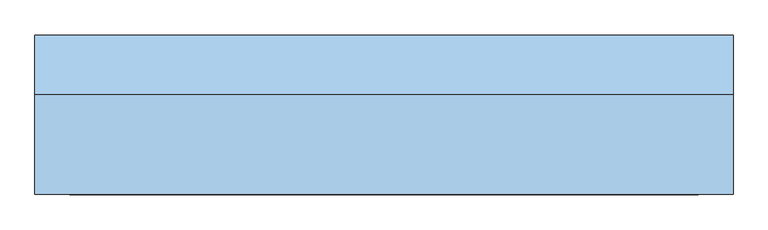
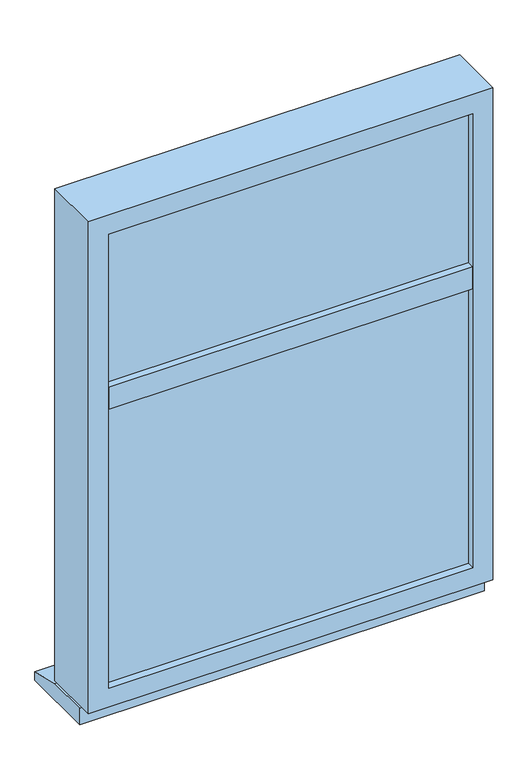
"""IFC4 building model written with IfcOpenShell, lengths in millimetres: window geometry."""

from ifc_helpers import new_model, si_unit, frame, origin, place, context, project, spatial, polyline, outline, extrude, faceted_brep, source, transform, mapped, element, save


def window_2be36a1f(model_context):
    return source(origin(), model_context, "Body", "SolidModel", [
        faceted_brep([(700.0, 149.5, 800.0), (700.0, -50.5, 800.0), (-700.0, -50.5, 800.0), (-700.0, 149.5, 800.0), (700.0, -50.5, 2600.0), (700.0, 149.5, 2600.0), (-700.0, -50.5, 2600.0), (630.0, -50.5, 2530.0), (630.0, -50.5, 870.0), (-630.0, -50.5, 870.0), (-630.0, -50.5, 2530.0), (-700.0, 149.5, 2600.0), (-630.0, 149.5, 2530.0), (-630.0, 149.5, 850.0), (630.0, 149.5, 850.0), (630.0, 149.5, 2530.0), (-630.0, 94.5, 870.0), (630.0, 94.5, 870.0)], [[[0, 1, 2, 3]], [[4, 1, 0, 5]], [[2, 1, 4, 6], [7, 8, 9, 10]], [[2, 6, 11, 3]], [[0, 3, 11, 5], [12, 13, 14, 15]], [[12, 10, 9, 16, 13]], [[14, 13, 16, 17]], [[7, 15, 14, 17, 8]], [[9, 8, 17, 16]], [[12, 15, 7, 10]], [[5, 11, 6, 4]]]),
        extrude(outline(polyline([(630.0, -15.0), (630.0, -25.0), (-630.0, -25.0), (-630.0, -15.0), (630.0, -15.0)])), frame((0.0, 0.0, 870.0), z_axis=(0.0, 0.0, 1.0), x_axis=(1.0, 0.0, 0.0)), (0.0, 0.0, 1.0), 1030.0),
        extrude(outline(polyline([(630.0, 149.5), (630.0, -50.5), (-630.0, -50.5), (-630.0, 149.5), (630.0, 149.5)])), frame((0.0, 0.0, 1890.0), z_axis=(0.0, 0.0, 1.0), x_axis=(1.0, 0.0, 0.0)), (0.0, 0.0, 1.0), 80.0),
        extrude(outline(polyline([(149.5, 790.0), (269.5, 760.0), (269.5, 730.0), (0.0, 730.0), (0.0, 790.0), (149.5, 790.0)])), frame((-700.0, 0.0, 0.0), z_axis=(1.0, 0.0, 0.0), x_axis=(0.0, 1.0, 0.0)), (0.0, 0.0, 1.0), 1400.0),
        extrude(outline(polyline([(630.0, -15.0), (630.0, -25.0), (-630.0, -25.0), (-630.0, -15.0), (630.0, -15.0)])), frame((0.0, 0.0, 1960.0), z_axis=(0.0, 0.0, 1.0), x_axis=(1.0, 0.0, 0.0)), (0.0, 0.0, 1.0), 575.0),
    ])


if __name__ == "__main__":
    model = new_model("IFC4")
    model_context = context("Model", 3, world=origin())
    ifc_project = project(units=[si_unit("LENGTHUNIT", "METRE", prefix="MILLI")], contexts=[model_context])
    site = spatial("IfcSite", under=ifc_project)
    building = spatial("IfcBuilding", under=site)
    placement = place(None, origin())
    window_shape = window_2be36a1f(model_context)
    element("IfcWindow", 1, at=placement, inside=building, context=model_context, shape_type="MappedRepresentation", body=[
        mapped(window_shape, transform((0.0, 0.0, 0.0), x_axis=(1.0, 0.0, 0.0), y_axis=(0.0, 1.0, 0.0), z_axis=(0.0, 0.0, 1.0))),
    ])
    save(model, "model.ifc")
